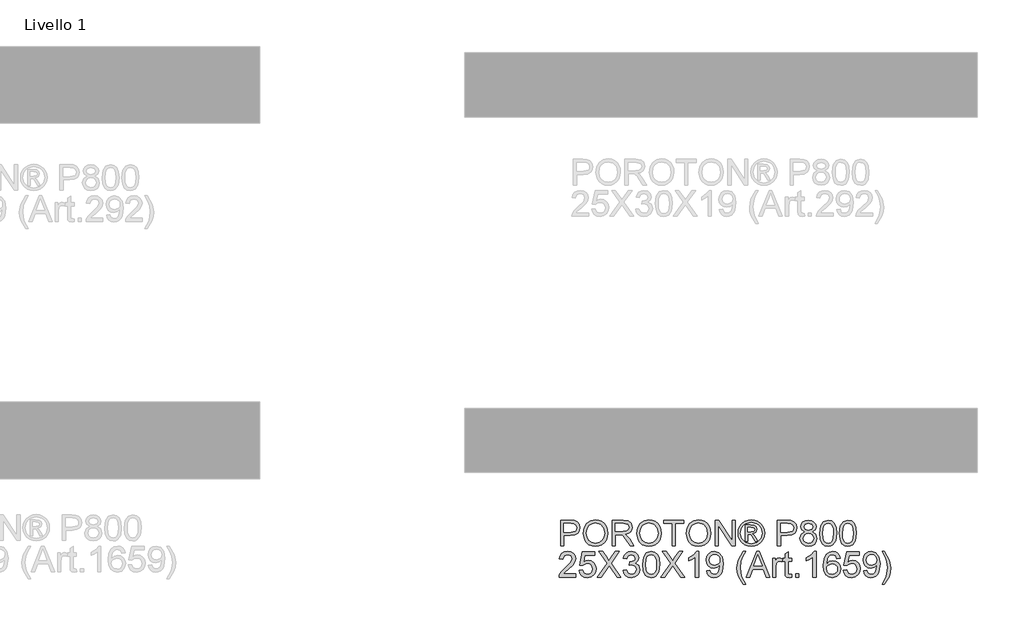
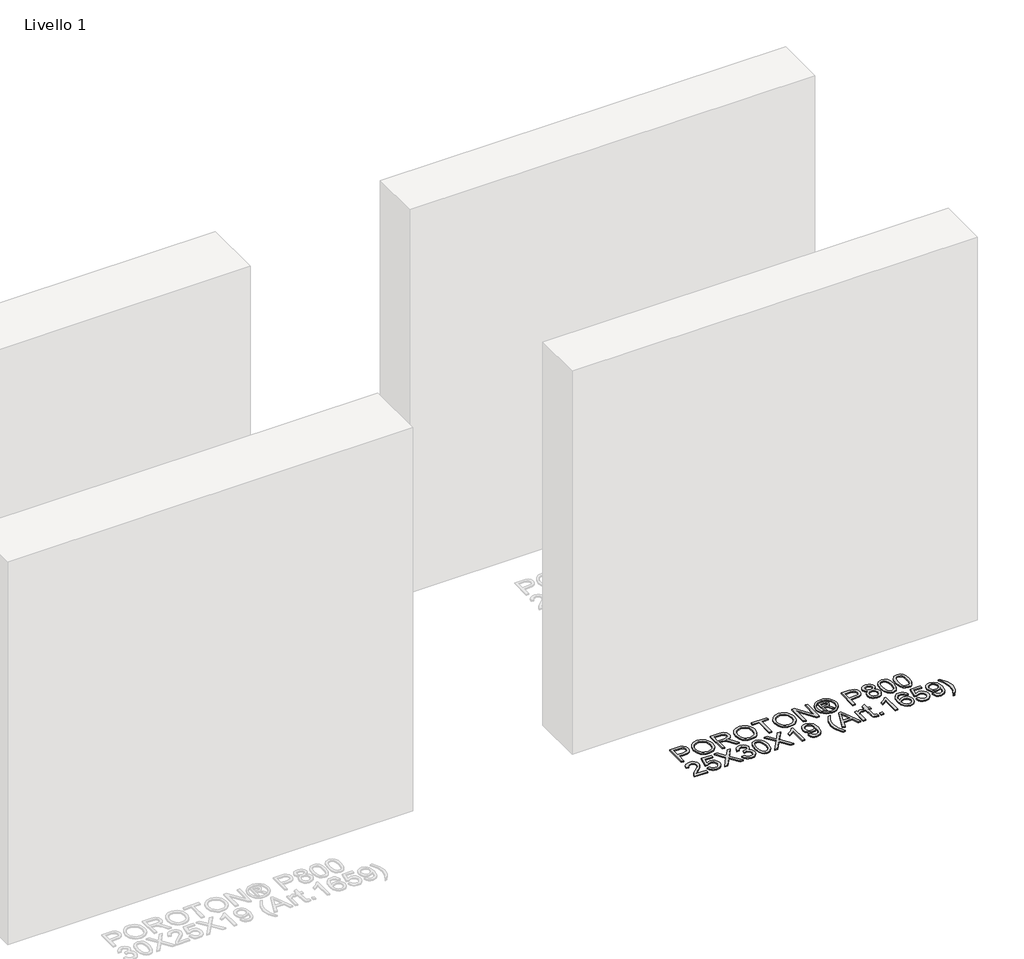
# One storey, part 6 of 8: 1 proxy.
"""IFC4 building model written with IfcOpenShell, lengths in millimetres."""

from ifc_helpers import new_model, si_unit, origin, origin_with_axes, place, context, project, spatial, polyline, outline, extrude, element, save

model = new_model("IFC4")

# Units and contexts
model_context = context("Model", 3, world=origin())
ifc_project = project(units=[si_unit("LENGTHUNIT", "METRE", prefix="MILLI")], contexts=[model_context])

# Site, building, storey
site = spatial("IfcSite", under=ifc_project)
building = spatial("IfcBuilding", under=site)
storey = spatial("IfcBuildingStorey", under=building, Name="Livello 1", Elevation=0.0)

# Proxy
placement = place(None, origin())
element("IfcBuildingElementProxy", 1, Name="100", ObjectType="100", at=placement, inside=storey, context=model_context, shape_type="SweptSolid", body=[
    extrude(outline(polyline([(1030.7095788, 876.8304313), (1030.7095788, 977.2867415), (1067.9392367, 977.2867415), (1082.9488221, 976.3302483), (1095.1502416, 971.6336215), (1103.0597045, 961.9215368), (1106.0518114, 948.2240639), (1104.0315261, 936.384395), (1097.9706702, 926.5190262), (1086.6368391, 919.860362), (1068.797628, 917.6408073), (1043.2666175, 917.6408073), (1043.2666175, 876.8304313), (1030.7095788, 876.8304313)]), holes=[polyline([(1043.2666175, 930.1978461), (1069.533392, 930.1978461), (1088.0255936, 934.8086338), (1092.1274779, 940.3575205), (1093.4947726, 947.7826055), (1090.2696738, 958.1814032), (1081.7961252, 963.8713114), (1069.2390864, 964.7297027), (1043.2666175, 964.7297027), (1043.2666175, 930.1978461)])]), origin_with_axes(), (0.0, 0.0, 1.0), 5.0),
    extrude(outline(polyline([(1118.6088501, 925.7342112), (1121.9565763, 947.9481524), (1131.9997548, 964.7542282), (1147.3343026, 975.3308355), (1166.5561368, 978.8563713), (1179.7324436, 977.2009024), (1191.5475871, 972.2344954), (1201.3577736, 964.3066384), (1208.5192098, 953.7668193), (1212.8970055, 941.1239414), (1214.3562708, 926.8869081), (1212.8203634, 912.4598026), (1208.2126414, 899.639115), (1200.7875565, 889.0809018), (1190.7995603, 881.441219), (1179.0855845, 876.8059059), (1166.4825604, 875.2608015), (1153.1039186, 876.9683871), (1141.2213301, 882.0911439), (1131.435669, 890.1661537), (1124.3478093, 900.7304983), (1118.6088501, 925.7342112)]), holes=[polyline([(1131.1658889, 925.6115839), (1133.6766835, 909.8968913), (1141.2090674, 897.9223324), (1152.5306358, 890.3439633), (1166.408984, 887.8178403), (1180.4896674, 890.3684888), (1191.8296299, 898.0204343), (1199.3068315, 910.3628752), (1201.799232, 926.98501), (1197.5318008, 947.7090291), (1185.0606012, 961.4310275), (1166.6297132, 966.2993326), (1153.1223127, 963.9540848), (1141.638263, 956.9183417), (1133.7839824, 944.4011568), (1131.1658889, 925.6115839)])]), origin_with_axes(), (0.0, 0.0, 1.0), 5.0),
    extrude(outline(polyline([(1231.6221991, 876.8304313), (1231.6221991, 977.2867415), (1274.9096472, 977.2867415), (1295.0082668, 974.5766775), (1305.9956758, 964.9872201), (1310.1036914, 949.7936937), (1308.4022371, 939.897668), (1303.2978745, 931.6938996), (1294.6373192, 925.6790289), (1282.2672871, 922.3496969), (1289.4041978, 916.9786197), (1299.5822663, 904.053699), (1316.3331598, 876.8304313), (1301.7405073, 876.8304313), (1288.6684338, 897.6525523), (1279.2261292, 911.4358644), (1272.5919906, 917.9473757), (1266.6200395, 920.3386086), (1259.335976, 920.780067), (1244.1792378, 920.780067), (1244.1792378, 876.8304313), (1231.6221991, 876.8304313)]), holes=[polyline([(1244.1792378, 933.3371058), (1272.2854223, 933.3371058), (1286.6205573, 935.1152021), (1294.7630122, 940.8051103), (1297.5466526, 949.3277099), (1292.2368891, 960.3886952), (1275.4492074, 964.7297027), (1244.1792378, 964.7297027), (1244.1792378, 933.3371058)])]), origin_with_axes(), (0.0, 0.0, 1.0), 5.0),
    extrude(outline(polyline([(1327.3696197, 925.7342112), (1330.7173458, 947.9481524), (1340.7605243, 964.7542282), (1356.0950721, 975.3308355), (1375.3169064, 978.8563713), (1388.4932132, 977.2009024), (1400.3083566, 972.2344954), (1410.1185431, 964.3066384), (1417.2799793, 953.7668193), (1421.657775, 941.1239414), (1423.1170403, 926.8869081), (1421.581133, 912.4598026), (1416.973411, 899.639115), (1409.548326, 889.0809018), (1399.5603299, 881.441219), (1387.846354, 876.8059059), (1375.24333, 875.2608015), (1361.8646881, 876.9683871), (1349.9820996, 882.0911439), (1340.1964386, 890.1661537), (1333.1085788, 900.7304983), (1327.3696197, 925.7342112)]), holes=[polyline([(1339.9266584, 925.6115839), (1342.4374531, 909.8968913), (1349.9698369, 897.9223324), (1361.2914053, 890.3439633), (1375.1697536, 887.8178403), (1389.2504369, 890.3684888), (1400.5903994, 898.0204343), (1408.067601, 910.3628752), (1410.5600015, 926.98501), (1406.2925704, 947.7090291), (1393.8213707, 961.4310275), (1375.3904828, 966.2993326), (1361.8830822, 963.9540848), (1350.3990326, 956.9183417), (1342.544752, 944.4011568), (1339.9266584, 925.6115839)])]), origin_with_axes(), (0.0, 0.0, 1.0), 5.0),
    extrude(outline(polyline([(1465.4970461, 876.8304313), (1465.4970461, 964.7297027), (1432.5348194, 964.7297027), (1432.5348194, 977.2867415), (1511.0163117, 977.2867415), (1511.0163117, 964.7297027), (1478.0540849, 964.7297027), (1478.0540849, 876.8304313), (1465.4970461, 876.8304313)])), origin_with_axes(), (0.0, 0.0, 1.0), 5.0),
    extrude(outline(polyline([(1520.4340907, 925.7342112), (1523.7818169, 947.9481524), (1533.8249954, 964.7542282), (1549.1595432, 975.3308355), (1568.3813774, 978.8563713), (1581.5576842, 977.2009024), (1593.3728277, 972.2344954), (1603.1830142, 964.3066384), (1610.3444504, 953.7668193), (1614.7222461, 941.1239414), (1616.1815114, 926.8869081), (1614.645604, 912.4598026), (1610.037882, 899.639115), (1602.6127971, 889.0809018), (1592.6248009, 881.441219), (1580.9108251, 876.8059059), (1568.307801, 875.2608015), (1554.9291592, 876.9683871), (1543.0465707, 882.0911439), (1533.2609096, 890.1661537), (1526.1730499, 900.7304983), (1520.4340907, 925.7342112)]), holes=[polyline([(1532.9911295, 925.6115839), (1535.5019241, 909.8968913), (1543.034308, 897.9223324), (1554.3558764, 890.3439633), (1568.2342246, 887.8178403), (1582.314908, 890.3684888), (1593.6548705, 898.0204343), (1601.1320721, 910.3628752), (1603.6244726, 926.98501), (1599.3570414, 947.7090291), (1586.8858418, 961.4310275), (1568.4549538, 966.2993326), (1554.9475533, 963.9540848), (1543.4635036, 956.9183417), (1535.609223, 944.4011568), (1532.9911295, 925.6115839)])]), origin_with_axes(), (0.0, 0.0, 1.0), 5.0),
    extrude(outline(polyline([(1633.4474397, 876.8304313), (1633.4474397, 977.2867415), (1646.8873952, 977.2867415), (1699.3718932, 897.7016032), (1699.3718932, 977.2867415), (1711.928932, 977.2867415), (1711.928932, 876.8304313), (1698.4889764, 876.8304313), (1646.0044784, 956.4400951), (1646.0044784, 876.8304313), (1633.4474397, 876.8304313)])), origin_with_axes(), (0.0, 0.0, 1.0), 5.0),
    extrude(outline(polyline([(1774.7386513, 978.8563713), (1787.6329152, 977.1825083), (1800.2206108, 972.160919), (1811.2785304, 964.0245956), (1819.5834665, 953.0065298), (1824.7797997, 940.2839441), (1826.5119107, 927.0340609), (1824.8043251, 913.9006737), (1819.6815683, 901.2823213), (1811.4777999, 890.3041094), (1800.5271791, 882.0911439), (1787.9180237, 876.9683871), (1774.7386513, 875.2608015), (1761.5776729, 876.9683871), (1748.9746489, 882.0911439), (1738.0148311, 890.3041094), (1729.7834715, 901.2823213), (1724.6331235, 913.9006737), (1722.9163409, 927.0340609), (1724.657649, 940.2839441), (1729.8815733, 953.0065298), (1738.2141005, 964.0245956), (1749.2812172, 972.160919), (1761.8627814, 977.1825083), (1774.7386513, 978.8563713)]), holes=[polyline([(1774.7386513, 969.4385923), (1753.9165303, 963.9571505), (1744.888093, 957.2954207), (1738.0608164, 948.2731148), (1732.33412, 927.0340609), (1737.9504518, 905.9789481), (1753.6712757, 890.2949124), (1774.7386513, 884.6785806), (1795.8182896, 890.2949124), (1811.5023253, 905.9789481), (1817.0941317, 927.0340609), (1811.4042235, 948.2731148), (1804.5953409, 957.2954207), (1795.5485095, 963.9571505), (1774.7386513, 969.4385923)])]), origin_with_axes(), (0.0, 0.0, 1.0), 5.0),
    extrude(outline(polyline([(1751.1696781, 895.6659895), (1751.1696781, 958.4511833), (1771.4522388, 958.4511833), (1786.5108751, 956.722138), (1793.9298287, 950.6888732), (1796.6889437, 941.5286116), (1791.9310032, 929.6092349), (1779.3249135, 923.9193267), (1784.2300067, 920.5838633), (1792.7893945, 908.05135), (1799.8282033, 895.6659895), (1789.2332019, 895.6659895), (1783.714972, 905.6233288), (1774.4688711, 920.044303), (1766.4490436, 922.3496969), (1760.5874572, 922.3496969), (1760.5874572, 895.6659895), (1751.1696781, 895.6659895)]), holes=[polyline([(1760.5874572, 931.767476), (1772.5068338, 931.767476), (1784.1564303, 934.1587089), (1787.2711646, 940.498542), (1785.7751111, 945.0602787), (1781.6180446, 948.0523856), (1771.7465444, 949.0334043), (1760.5874572, 949.0334043), (1760.5874572, 931.767476)])]), origin_with_axes(), (0.0, 0.0, 1.0), 5.0),
    extrude(outline(polyline([(1876.7400658, 876.8304313), (1876.7400658, 977.2867415), (1913.9697237, 977.2867415), (1928.9793091, 976.3302483), (1941.1807286, 971.6336215), (1949.0901915, 961.9215368), (1952.0822984, 948.2240639), (1950.0620131, 936.384395), (1944.0011573, 926.5190262), (1932.6673261, 919.860362), (1914.828115, 917.6408073), (1889.2971046, 917.6408073), (1889.2971046, 876.8304313), (1876.7400658, 876.8304313)]), holes=[polyline([(1889.2971046, 930.1978461), (1915.563879, 930.1978461), (1934.0560807, 934.8086338), (1938.1579649, 940.3575205), (1939.5252596, 947.7826055), (1936.3001608, 958.1814032), (1927.8266122, 963.8713114), (1915.2695734, 964.7297027), (1889.2971046, 964.7297027), (1889.2971046, 930.1978461)])]), origin_with_axes(), (0.0, 0.0, 1.0), 5.0),
    extrude(outline(polyline([(1982.9353351, 932.1598834), (1971.494205, 939.9589817), (1967.7785969, 952.0990876), (1969.8019478, 961.9154055), (1975.8720008, 970.0272034), (1985.3081739, 975.471857), (1997.4298857, 977.2867415), (2009.6251738, 975.4289374), (2019.1839743, 969.8555252), (2025.3643919, 961.6149685), (2027.424531, 951.755731), (2023.7579738, 939.9221935), (2012.6356748, 932.1598834), (2025.9897912, 922.3129087), (2030.5637907, 906.0647872), (2028.2951851, 894.0595714), (2021.4893682, 884.1390203), (2010.9802058, 877.4803562), (1997.601564, 875.2608015), (1984.2229221, 877.4895532), (1973.7137597, 884.1758085), (1966.9079428, 894.1913958), (1964.6393372, 906.4081438), (1969.3972777, 923.0364099), (1982.9353351, 932.1598834)]), holes=[polyline([(1980.3356356, 951.7312056), (1984.7870078, 941.8719681), (1997.7487167, 938.0459953), (2010.4529083, 941.8474426), (2014.8674923, 951.1671198), (2010.3057555, 960.8178908), (1997.601564, 964.7297027), (1984.8605842, 960.90373), (1980.3356356, 951.7312056)]), polyline([(1977.196376, 906.8496021), (1979.2933033, 897.3950349), (1986.7122569, 890.3194378), (1997.6996658, 887.8178403), (2006.2467908, 889.1330184), (2012.6602003, 893.0785528), (2018.0067519, 906.4571947), (2012.488522, 920.093354), (2005.9279598, 924.1400559), (1997.2827329, 925.4889566), (1988.8551695, 924.15845), (1982.5061394, 920.1669304), (1977.196376, 906.8496021)])]), origin_with_axes(), (0.0, 0.0, 1.0), 5.0),
    extrude(outline(polyline([(2041.5511996, 926.249246), (2045.2422823, 955.1525081), (2056.2051658, 971.8175625), (2074.5134264, 977.2867415), (2089.1796553, 974.0493799), (2099.3086729, 964.71744), (2105.1947848, 949.8550074), (2107.4756532, 926.249246), (2103.8213587, 897.4686113), (2092.8952634, 880.7667687), (2084.6639038, 876.6372933), (2074.5134264, 875.2608015), (2061.4658783, 877.6520345), (2051.5575899, 884.8257334), (2044.0527972, 901.8157502), (2041.5511996, 926.249246)]), holes=[polyline([(2054.1082384, 926.2737715), (2055.5797664, 906.521574), (2059.9943503, 895.089641), (2066.5671753, 889.6357905), (2074.5134264, 887.8178403), (2082.4596775, 889.6419218), (2089.0325025, 895.1141665), (2093.4470864, 906.5522309), (2094.9186144, 926.2737715), (2093.4961374, 945.5814449), (2089.2287062, 957.1022827), (2082.668144, 962.8228477), (2074.3662736, 964.7297027), (2066.5058616, 963.0497083), (2060.1905541, 958.0097249), (2055.6288173, 945.7715172), (2054.1082384, 926.2737715)])]), origin_with_axes(), (0.0, 0.0, 1.0), 5.0),
    extrude(outline(polyline([(2118.4630621, 926.249246), (2122.1541448, 955.1525081), (2133.1170282, 971.8175625), (2151.4252889, 977.2867415), (2166.0915177, 974.0493799), (2176.2205353, 964.71744), (2182.1066473, 949.8550074), (2184.3875156, 926.249246), (2180.7332211, 897.4686113), (2169.8071259, 880.7667687), (2161.5757663, 876.6372933), (2151.4252889, 875.2608015), (2138.3777408, 877.6520345), (2128.4694524, 884.8257334), (2120.9646597, 901.8157502), (2118.4630621, 926.249246)]), holes=[polyline([(2131.0201009, 926.2737715), (2132.4916288, 906.521574), (2136.9062128, 895.089641), (2143.4790378, 889.6357905), (2151.4252889, 887.8178403), (2159.37154, 889.6419218), (2165.9443649, 895.1141665), (2170.3589489, 906.5522309), (2171.8304769, 926.2737715), (2170.4079998, 945.5814449), (2166.1405687, 957.1022827), (2159.5800064, 962.8228477), (2151.2781361, 964.7297027), (2143.4177241, 963.0497083), (2137.1024165, 958.0097249), (2132.5406798, 945.7715172), (2131.0201009, 926.2737715)])]), origin_with_axes(), (0.0, 0.0, 1.0), 5.0),
    extrude(outline(polyline([(1090.3555129, 767.4126523), (1090.3555129, 754.8556135), (1024.4310594, 754.8556135), (1025.77996, 763.5131031), (1033.4073801, 776.8426941), (1049.128204, 791.3985583), (1070.8087162, 812.3187811), (1076.2288443, 826.5435516), (1071.1152846, 838.0582581), (1057.7611681, 842.7548849), (1043.842966, 838.1686227), (1038.557728, 825.4889566), (1026.0006892, 827.0585864), (1029.0449127, 839.2048236), (1035.6269348, 848.0769111), (1045.4033988, 853.5031705), (1058.0309483, 855.3119236), (1070.7504683, 853.3008354), (1080.5085382, 847.2675707), (1086.7165468, 838.2544618), (1088.7858831, 827.3038411), (1086.5540656, 815.3967272), (1079.1351121, 803.0849431), (1061.1456825, 785.8803284), (1046.7001828, 773.8015362), (1041.0348001, 767.4126523), (1090.3555129, 767.4126523)])), origin_with_axes(), (0.0, 0.0, 1.0), 5.0),
    extrude(outline(polyline([(1102.9125517, 781.5393209), (1115.4695904, 783.1089507), (1121.7971608, 770.1717672), (1134.9182853, 765.8430224), (1143.9191314, 767.3482729), (1150.6636347, 771.8640244), (1154.8758835, 778.8691107), (1156.2799664, 787.8423657), (1151.0192539, 802.7538493), (1144.4127064, 806.8557335), (1135.114489, 808.2230283), (1124.0902919, 806.0402618), (1117.0392203, 800.374879), (1104.4821815, 801.9445089), (1115.4695904, 853.7422938), (1164.1281157, 853.7422938), (1164.1281157, 841.185255), (1125.6231335, 841.185255), (1120.2520564, 813.520529), (1129.2222457, 818.9651825), (1138.6216307, 820.780067), (1150.3540006, 818.5298555), (1160.0936765, 811.7792209), (1166.651173, 801.4907877), (1168.8370052, 788.6271806), (1166.8688365, 776.0701419), (1160.9643305, 765.3279876), (1149.6580905, 756.2964846), (1134.8692343, 753.2859836), (1122.5359904, 755.2204298), (1112.7104755, 761.0237683), (1105.9751693, 770.0215487), (1102.9125517, 781.5393209)])), origin_with_axes(), (0.0, 0.0, 1.0), 5.0),
    extrude(outline(polyline([(1173.5458948, 754.8556135), (1212.2716061, 809.5964544), (1179.8244141, 855.3119236), (1194.8830505, 855.3119236), (1213.1545229, 829.5847094), (1219.310415, 819.5537937), (1226.5209021, 829.7563877), (1244.5961708, 855.3119236), (1259.8755363, 855.3119236), (1227.4283443, 809.4493016), (1266.1540557, 754.8556135), (1251.0954193, 754.8556135), (1225.2946287, 791.2514055), (1219.9235516, 798.8052492), (1214.0129142, 790.5156416), (1188.8252603, 754.8556135), (1173.5458948, 754.8556135)])), origin_with_axes(), (0.0, 0.0, 1.0), 5.0),
    extrude(outline(polyline([(1274.0022049, 781.5393209), (1286.5592437, 783.1089507), (1293.4876879, 769.8897244), (1306.4493969, 765.8430224), (1315.0578356, 767.2348426), (1321.7042369, 771.4103033), (1327.3696197, 785.1936154), (1321.7532879, 798.1798498), (1307.4794665, 803.317935), (1298.674824, 801.9445089), (1300.0727756, 814.5015476), (1302.0838639, 814.3543948), (1316.3331598, 817.9596384), (1321.0788376, 822.5336379), (1322.6607301, 829.0451492), (1318.0744679, 838.8675985), (1306.2531931, 842.7548849), (1294.2847656, 838.8308103), (1288.1288735, 827.0585864), (1275.5718348, 828.6282163), (1279.2690488, 839.9037994), (1285.8480051, 848.3221657), (1294.8488513, 853.5644842), (1305.8117348, 855.3119236), (1320.9562102, 851.8660956), (1331.5512117, 842.4483165), (1335.2177689, 829.7809132), (1331.7351527, 818.2048931), (1321.4344568, 809.89076), (1335.119667, 801.3068468), (1339.9266584, 784.9728862), (1337.5231627, 772.7346785), (1330.3126756, 762.507559), (1319.4294999, 755.5913775), (1306.0079385, 753.2859836), (1293.8678326, 755.2541523), (1283.9840697, 761.1586583), (1277.1108078, 770.1901613), (1274.0022049, 781.5393209)])), origin_with_axes(), (0.0, 0.0, 1.0), 5.0),
    extrude(outline(polyline([(1350.9140674, 804.2744282), (1354.60515, 833.1776903), (1365.5680335, 849.8427446), (1383.8762941, 855.3119236), (1398.542523, 852.0745621), (1408.6715406, 842.7426221), (1414.5576525, 827.8801895), (1416.8385209, 804.2744282), (1413.1842264, 775.4937934), (1402.2581312, 758.7919508), (1394.0267715, 754.6624754), (1383.8762941, 753.2859836), (1370.828746, 755.6772166), (1360.9204576, 762.8509155), (1353.4156649, 779.8409323), (1350.9140674, 804.2744282)]), holes=[polyline([(1363.4711061, 804.2989536), (1364.9426341, 784.5467562), (1369.3572181, 773.1148232), (1375.930043, 767.6609726), (1383.8762941, 765.8430224), (1391.8225452, 767.667104), (1398.3953702, 773.1393487), (1402.8099541, 784.577413), (1404.2814821, 804.2989536), (1402.8590051, 823.606627), (1398.5915739, 835.1274648), (1392.0310117, 840.8480299), (1383.7291413, 842.7548849), (1375.8687294, 841.0748904), (1369.5534218, 836.0349071), (1364.991685, 823.7966994), (1363.4711061, 804.2989536)])]), origin_with_axes(), (0.0, 0.0, 1.0), 5.0),
    extrude(outline(polyline([(1421.5474104, 754.8556135), (1460.2731218, 809.5964544), (1427.8259298, 855.3119236), (1442.8845662, 855.3119236), (1461.1560386, 829.5847094), (1467.3119306, 819.5537937), (1474.5224177, 829.7563877), (1492.5976864, 855.3119236), (1507.877052, 855.3119236), (1475.42986, 809.4493016), (1514.1555714, 754.8556135), (1499.096935, 754.8556135), (1473.2961444, 791.2514055), (1467.9250673, 798.8052492), (1462.0144299, 790.5156416), (1436.826776, 754.8556135), (1421.5474104, 754.8556135)])), origin_with_axes(), (0.0, 0.0, 1.0), 5.0),
    extrude(outline(polyline([(1569.092616, 754.8556135), (1556.5355772, 754.8556135), (1556.5355772, 833.1409021), (1544.640726, 824.6673534), (1531.4214997, 818.3275204), (1531.4214997, 830.1978461), (1549.8278622, 841.9455445), (1560.9992121, 855.3119236), (1569.092616, 855.3119236), (1569.092616, 754.8556135)])), origin_with_axes(), (0.0, 0.0, 1.0), 5.0),
    extrude(outline(polyline([(1600.4852129, 779.969691), (1613.0422517, 781.5393209), (1618.6831089, 769.5586306), (1629.3762122, 765.8430224), (1639.542018, 768.2342554), (1646.4336741, 774.6231394), (1650.5416897, 785.5369719), (1652.3565742, 800.1050989), (1652.2829978, 802.5576455), (1642.2398193, 793.0417646), (1628.46877, 789.3874701), (1617.0184429, 791.6192875), (1607.4872335, 798.3147399), (1601.0584957, 808.6583553), (1598.915583, 821.8346621), (1601.1627289, 835.4462959), (1607.9041665, 846.1148738), (1618.0301184, 853.0126612), (1630.4308073, 855.3119236), (1648.322135, 850.0634738), (1660.6339191, 835.1029394), (1664.8400366, 806.9967549), (1660.6461818, 776.4993375), (1655.4314546, 766.5082757), (1648.1749822, 759.2211465), (1639.1894645, 754.7697744), (1628.7876011, 753.2859836), (1618.0515782, 755.0364888), (1609.486059, 760.2880043), (1603.4957139, 768.7094363), (1600.4852129, 779.969691)]), holes=[polyline([(1652.2829978, 822.1289677), (1650.9279658, 830.6393045), (1646.8628697, 837.187604), (1640.5536935, 841.3630647), (1632.466421, 842.7548849), (1624.0787115, 841.2557657), (1617.3587337, 836.7584084), (1612.9441498, 829.8759494), (1611.4726218, 821.2215254), (1612.864442, 813.462281), (1617.0399027, 807.3033233), (1623.5943336, 803.2842125), (1632.1230645, 801.9445089), (1646.6053524, 807.3033233), (1650.8635864, 813.6891416), (1652.2829978, 822.1289677)])]), origin_with_axes(), (0.0, 0.0, 1.0), 5.0),
    extrude(outline(polyline([(1743.3215289, 726.6022763), (1725.4915149, 756.0573613), (1720.0284672, 773.2374505), (1718.2074513, 791.0306764), (1723.6521049, 821.564882), (1743.3215289, 855.3119236), (1752.739308, 855.3119236), (1740.9916096, 835.4217704), (1733.9282753, 816.1447539), (1730.7644901, 790.9571), (1736.2581946, 758.7674254), (1752.739308, 726.6022763), (1743.3215289, 726.6022763)])), origin_with_axes(), (0.0, 0.0, 1.0), 5.0),
    extrude(outline(polyline([(1755.1673291, 754.8556135), (1795.2664666, 855.3119236), (1805.9595699, 855.3119236), (1846.0587074, 754.8556135), (1832.7904301, 754.8556135), (1821.2879864, 786.2482104), (1779.9135247, 786.2482104), (1768.4356064, 754.8556135), (1755.1673291, 754.8556135)]), holes=[polyline([(1784.5243123, 798.8052492), (1816.7017242, 798.8052492), (1807.6518271, 823.5023938), (1800.6130183, 842.7548849), (1794.3590243, 825.6606348), (1784.5243123, 798.8052492)])]), origin_with_axes(), (0.0, 0.0, 1.0), 5.0),
    extrude(outline(polyline([(1857.9045076, 754.8556135), (1857.9045076, 828.6282163), (1868.8919166, 828.6282163), (1868.8919166, 817.7143837), (1876.6910149, 827.7698249), (1884.5391641, 830.1978461), (1897.1452538, 826.3228224), (1892.9513991, 815.0656334), (1884.1222312, 817.6408073), (1877.0221087, 815.1637352), (1872.4971601, 808.2966047), (1870.4615464, 793.6303758), (1870.4615464, 754.8556135), (1857.9045076, 754.8556135)])), origin_with_axes(), (0.0, 0.0, 1.0), 5.0),
    extrude(outline(polyline([(1931.6771104, 765.3279876), (1933.2467403, 754.4877315), (1923.8534867, 753.2859836), (1913.3320616, 755.3706483), (1908.0836118, 760.8398273), (1906.5630329, 775.0891232), (1906.5630329, 816.0711775), (1897.1452538, 816.0711775), (1897.1452538, 828.6282163), (1906.5630329, 828.6282163), (1906.5630329, 846.5563322), (1919.1200716, 853.9384975), (1919.1200716, 828.6282163), (1931.6771104, 828.6282163), (1931.6771104, 816.0711775), (1919.1200716, 816.0711775), (1919.1200716, 775.4570052), (1919.7822592, 768.9822821), (1921.9282375, 766.689151), (1926.2079314, 765.8430224), (1931.6771104, 765.3279876)])), origin_with_axes(), (0.0, 0.0, 1.0), 5.0),
    extrude(outline(polyline([(1947.3734089, 754.8556135), (1947.3734089, 767.4126523), (1959.9304476, 767.4126523), (1959.9304476, 754.8556135), (1947.3734089, 754.8556135)])), origin_with_axes(), (0.0, 0.0, 1.0), 5.0),
    extrude(outline(polyline([(2027.424531, 754.8556135), (2014.8674923, 754.8556135), (2014.8674923, 833.1409021), (2002.9726411, 824.6673534), (1989.7534147, 818.3275204), (1989.7534147, 830.1978461), (2008.1597772, 841.9455445), (2019.3311271, 855.3119236), (2027.424531, 855.3119236), (2027.424531, 754.8556135)])), origin_with_axes(), (0.0, 0.0, 1.0), 5.0),
    extrude(outline(polyline([(2121.6023218, 828.6282163), (2109.045283, 827.0585864), (2104.2873426, 837.5309605), (2091.7057783, 842.7548849), (2080.3750129, 839.713727), (2071.8033624, 828.2971225), (2068.234907, 805.9176344), (2079.3081551, 815.9362874), (2093.0301535, 819.2104372), (2104.6306991, 816.9724884), (2114.3673092, 810.258642), (2120.970791, 800.0008657), (2123.1719516, 787.1311272), (2119.0271478, 769.8038852), (2107.622806, 757.5411521), (2091.1662181, 753.2859836), (2076.9199878, 756.1064123), (2065.5738939, 764.5676982), (2058.1518747, 779.5037072), (2055.6778683, 801.7483051), (2058.4247205, 826.7581494), (2066.6652772, 843.8585309), (2077.9163349, 852.4485754), (2092.4905932, 855.3119236), (2103.508659, 853.5399587), (2112.3316955, 848.2240639), (2118.512113, 839.7811721), (2121.6023218, 828.6282163)]), holes=[polyline([(2068.234907, 787.3273309), (2071.1411748, 776.4502866), (2078.8666967, 768.5530864), (2090.1851994, 765.8430224), (2098.4717413, 767.2471054), (2104.9863183, 771.4593542), (2109.2077642, 778.0812301), (2110.6149129, 786.7141943), (2109.2261583, 795.0007362), (2105.0598947, 801.3191095), (2098.4349531, 805.3198262), (2089.6701646, 806.6533984), (2074.4766382, 801.3191095), (2069.7953398, 795.1540204), (2068.234907, 787.3273309)])]), origin_with_axes(), (0.0, 0.0, 1.0), 5.0),
    extrude(outline(polyline([(2134.1593606, 781.5393209), (2146.7163993, 783.1089507), (2153.0439696, 770.1717672), (2166.1650941, 765.8430224), (2175.1659403, 767.3482729), (2181.9104435, 771.8640244), (2186.1226924, 778.8691107), (2187.5267753, 787.8423657), (2182.2660628, 802.7538493), (2175.6595153, 806.8557335), (2166.3612979, 808.2230283), (2155.3371007, 806.0402618), (2148.2860292, 800.374879), (2135.7289904, 801.9445089), (2146.7163993, 853.7422938), (2195.3749246, 853.7422938), (2195.3749246, 841.185255), (2156.8699424, 841.185255), (2151.4988653, 813.520529), (2160.4690546, 818.9651825), (2169.8684396, 820.780067), (2181.6008095, 818.5298555), (2191.3404853, 811.7792209), (2197.8979819, 801.4907877), (2200.0838141, 788.6271806), (2198.1156454, 776.0701419), (2192.2111394, 765.3279876), (2180.9048994, 756.2964846), (2166.1160432, 753.2859836), (2153.7827993, 755.2204298), (2143.9572844, 761.0237683), (2137.2219782, 770.0215487), (2134.1593606, 781.5393209)])), origin_with_axes(), (0.0, 0.0, 1.0), 5.0),
    extrude(outline(polyline([(2212.6408529, 779.969691), (2225.1978916, 781.5393209), (2230.8387489, 769.5586306), (2241.5318522, 765.8430224), (2251.697658, 768.2342554), (2258.5893141, 774.6231394), (2262.6973297, 785.5369719), (2264.5122142, 800.1050989), (2264.4386378, 802.5576455), (2254.3954593, 793.0417646), (2240.62441, 789.3874701), (2229.1740829, 791.6192875), (2219.6428735, 798.3147399), (2213.2141356, 808.6583553), (2211.071223, 821.8346621), (2213.3183689, 835.4462959), (2220.0598064, 846.1148738), (2230.1857584, 853.0126612), (2242.5864473, 855.3119236), (2260.477775, 850.0634738), (2272.7895591, 835.1029394), (2276.9956766, 806.9967549), (2272.8018218, 776.4993375), (2267.5870945, 766.5082757), (2260.3306222, 759.2211465), (2251.3451044, 754.7697744), (2240.943241, 753.2859836), (2230.2072181, 755.0364888), (2221.641699, 760.2880043), (2215.6513539, 768.7094363), (2212.6408529, 779.969691)]), holes=[polyline([(2264.4386378, 822.1289677), (2263.0836058, 830.6393045), (2259.0185097, 837.187604), (2252.7093335, 841.3630647), (2244.622061, 842.7548849), (2236.2343515, 841.2557657), (2229.5143737, 836.7584084), (2225.0997898, 829.8759494), (2223.6282618, 821.2215254), (2225.020082, 813.462281), (2229.1955426, 807.3033233), (2235.7499735, 803.2842125), (2244.2787044, 801.9445089), (2258.7609923, 807.3033233), (2263.0192264, 813.6891416), (2264.4386378, 822.1289677)])]), origin_with_axes(), (0.0, 0.0, 1.0), 5.0),
    extrude(outline(polyline([(2294.2616049, 726.6022763), (2284.8438258, 726.6022763), (2301.3249392, 758.7674254), (2306.8186436, 790.9571), (2303.6548585, 815.9240247), (2296.6651006, 835.2255667), (2284.8438258, 855.3119236), (2294.2616049, 855.3119236), (2313.9310289, 821.564882), (2319.3756824, 791.0306764), (2317.5454695, 773.2374505), (2312.0548307, 756.0573613), (2294.2616049, 726.6022763)])), origin_with_axes(), (0.0, 0.0, 1.0), 5.0),
])

save(model, "model.ifc")
